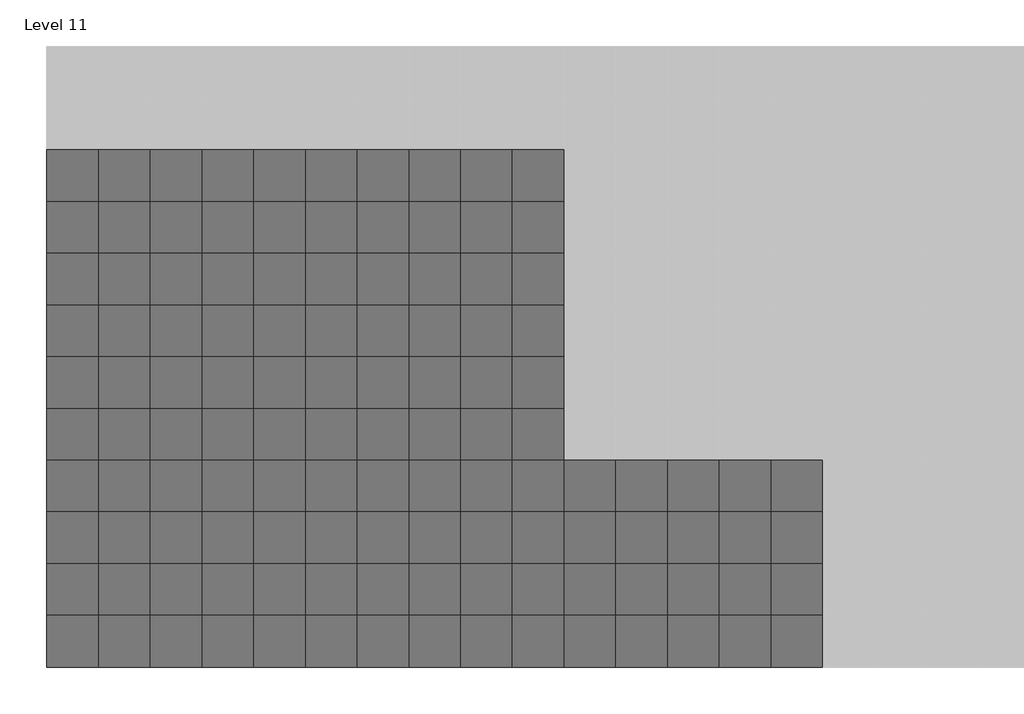
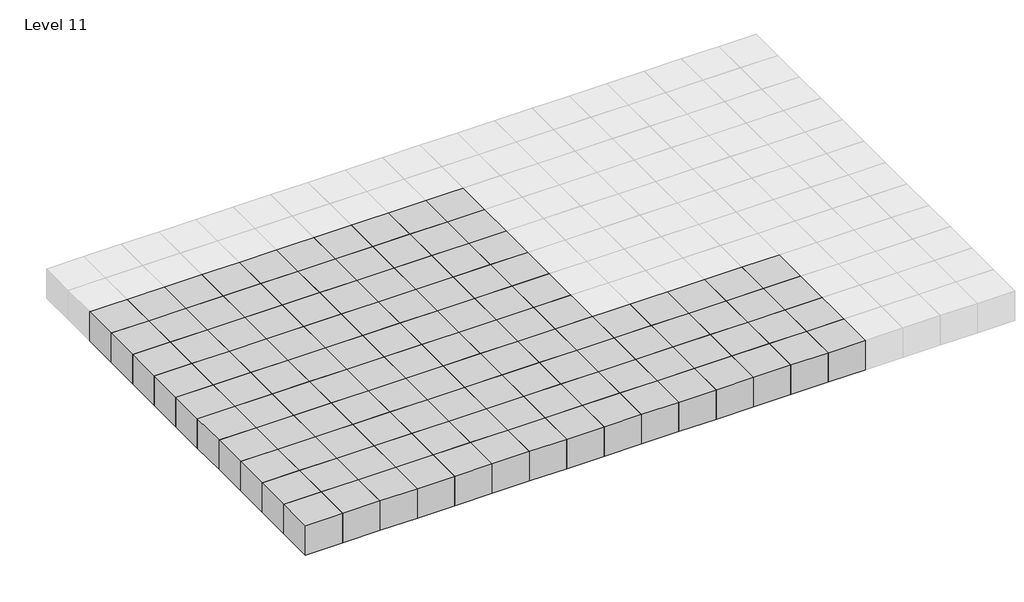
# One storey, part 1 of 3: 120 proxies.
"""IFC4 building model written with IfcOpenShell, lengths in millimetres."""

import ifcopenshell
import ifcopenshell.guid

model = None  # the IFC model being written
_history = None  # IfcOwnerHistory: only IFC2X3 demands one
_inside = {}  # id of a spatial element -> (the spatial element, [elements in it])
_under = {}  # id of a project, library or spatial element -> (it, [spatial elements below it])
_declared = {}  # id of a project -> (the project, [libraries it declares])
_typed = {}  # id of a type object -> (the type object, [elements of that type])
_made_of = {}  # id of a material, layer set ... -> (it, [elements and type objects made of it])


def new_model(schema):
    """Start an empty IFC model of exactly this schema.

    Asked for "IFC4X3", IfcOpenShell would pick the latest addendum, in which some entities
    have other attributes; the version numbers below select the first issue.
    IFC2X3 requires an IfcOwnerHistory on every rooted entity: one is made here for all.
    """
    global model, _history
    if schema == "IFC4X3":
        model = ifcopenshell.file(schema_version=(4, 3, 0, 0))
    else:
        model = ifcopenshell.file(schema=schema)
    _inside.clear()
    _under.clear()
    _declared.clear()
    _typed.clear()
    _made_of.clear()
    _history = None
    if model.schema == "IFC2X3":
        org = make("IfcOrganization", Name="unknown")
        user = make(
            "IfcPersonAndOrganization",
            ThePerson=make("IfcPerson", FamilyName="unknown"),
            TheOrganization=org,
        )
        app = make(
            "IfcApplication",
            ApplicationDeveloper=org,
            Version="unknown",
            ApplicationFullName="unknown",
            ApplicationIdentifier="unknown",
        )
        _history = make(
            "IfcOwnerHistory",
            OwningUser=user,
            OwningApplication=app,
            ChangeAction="ADDED",
            CreationDate=0,
        )
    return model


def make(cls, **values):
    """One entity of the class cls with the attributes given. An attribute that is None is left unset."""
    return model.create_entity(
        cls, **{name: value for name, value in values.items() if value is not None}
    )


def rooted(cls, **values):
    """An entity with a GlobalId (a new one), such as an element, a storey or a relation."""
    return make(cls, GlobalId=ifcopenshell.guid.new(), OwnerHistory=_history, **values)


def si_unit(unit_type, name, prefix=None):
    """IfcSIUnit, for example si_unit("LENGTHUNIT", "METRE", prefix="MILLI")."""
    return make("IfcSIUnit", UnitType=unit_type, Prefix=prefix, Name=name)


def assignment(units):
    """IfcUnitAssignment: the units of a project."""
    return None if units is None else make("IfcUnitAssignment", Units=units)


def point(xyz):
    """IfcCartesianPoint."""
    return None if xyz is None else make("IfcCartesianPoint", Coordinates=xyz)


def direction(xyz):
    """IfcDirection."""
    return None if xyz is None else make("IfcDirection", DirectionRatios=xyz)


def frame(location, z_axis=None, x_axis=None):
    """IfcAxis2Placement3D, a coordinate frame: its origin and axes. An axis left out is left unset."""
    return make(
        "IfcAxis2Placement3D",
        Location=point(location),
        Axis=direction(z_axis),
        RefDirection=direction(x_axis),
    )


def origin():
    """The frame at (0, 0, 0) with its axes left unset."""
    return frame((0.0, 0.0, 0.0))


def origin_with_axes():
    """The frame at (0, 0, 0) with the z axis (0, 0, 1) and the x axis (1, 0, 0) written out."""
    return frame((0.0, 0.0, 0.0), z_axis=(0.0, 0.0, 1.0), x_axis=(1.0, 0.0, 0.0))


def place(relative_to, where):
    """IfcLocalPlacement: puts the frame where relative to a parent placement (None: the world)."""
    return make(
        "IfcLocalPlacement", PlacementRelTo=relative_to, RelativePlacement=where
    )


def context(
    kind, dimensions, precision=None, world=None, true_north=None, identifier=None
):
    """IfcGeometricRepresentationContext, for example the 3D "Model" context."""
    return make(
        "IfcGeometricRepresentationContext",
        ContextIdentifier=identifier,
        ContextType=kind,
        CoordinateSpaceDimension=dimensions,
        Precision=precision,
        WorldCoordinateSystem=world,
        TrueNorth=true_north,
    )


def project(units=None, contexts=None):
    """IfcProject with its units and contexts."""
    return rooted(
        "IfcProject",
        Name="project",
        RepresentationContexts=contexts,
        UnitsInContext=assignment(units),
    )


def spatial(cls, under=None, at=None, **own):
    """A site, building, storey or space (cls), placed at a placement, below another one or the project."""
    s = rooted(cls, ObjectPlacement=at, **own)
    if under is not None:
        _under.setdefault(under.id(), (under, []))[1].append(s)
    return s


def polyline(points):
    """IfcPolyline through the points."""
    return make("IfcPolyline", Points=[point(p) for p in points])


def outline(outer, holes=None, kind="AREA"):
    """IfcArbitraryClosedProfileDef: a profile drawn as a closed curve; with holes, ...WithVoids."""
    if holes is None:
        return make("IfcArbitraryClosedProfileDef", ProfileType=kind, OuterCurve=outer)
    return make(
        "IfcArbitraryProfileDefWithVoids",
        ProfileType=kind,
        OuterCurve=outer,
        InnerCurves=holes,
    )


def extrude(swept, where, along, depth):
    """IfcExtrudedAreaSolid: the profile swept, set in the frame where, extruded along a direction by depth."""
    return make(
        "IfcExtrudedAreaSolid",
        SweptArea=swept,
        Position=where,
        ExtrudedDirection=direction(along),
        Depth=depth,
    )


def shape(context_of_items, identifier, shape_type, items):
    """IfcShapeRepresentation: the items that make up one representation, for example the "Body"."""
    return make(
        "IfcShapeRepresentation",
        ContextOfItems=context_of_items,
        RepresentationIdentifier=identifier,
        RepresentationType=shape_type,
        Items=items,
    )


def source(mapping_origin, context_of_items, identifier, shape_type, items):
    """IfcRepresentationMap: a shape defined once, which mapped items show again and again."""
    return make(
        "IfcRepresentationMap",
        MappingOrigin=mapping_origin,
        MappedRepresentation=shape(context_of_items, identifier, shape_type, items),
    )


def transform(
    local_origin,
    x_axis=None,
    y_axis=None,
    z_axis=None,
    scale=None,
    scale2=None,
    scale3=None,
    uniform=True,
):
    """IfcCartesianTransformationOperator3D, or its non-uniform kind. x_axis, y_axis, z_axis: its Axis1, 2, 3."""
    if uniform:
        return make(
            "IfcCartesianTransformationOperator3D",
            Axis1=direction(x_axis),
            Axis2=direction(y_axis),
            LocalOrigin=point(local_origin),
            Scale=scale,
            Axis3=direction(z_axis),
        )
    return make(
        "IfcCartesianTransformationOperator3DnonUniform",
        Axis1=direction(x_axis),
        Axis2=direction(y_axis),
        LocalOrigin=point(local_origin),
        Scale=scale,
        Axis3=direction(z_axis),
        Scale2=scale2,
        Scale3=scale3,
    )


def mapped(mapping_source, mapping_target):
    """IfcMappedItem: shows the shape of a source again, moved by a transform."""
    return make(
        "IfcMappedItem", MappingSource=mapping_source, MappingTarget=mapping_target
    )


def made_of(thing, what):
    """Note that an element or type object is made of a material, layer set ...; save() writes the relation."""
    if what is not None:
        _made_of.setdefault(what.id(), (what, []))[1].append(thing)
    return thing


def element(
    cls,
    number,
    at=None,
    inside=None,
    cuts=None,
    type_object=None,
    material=None,
    context=None,
    identifier="Body",
    shape_type=None,
    held_by="IfcProductDefinitionShape",
    body=None,
    shapes=None,
    **own,
):
    """One element of the class cls, such as IfcWall. Its Tag is "e" and its number.

    at: its placement. inside: the storey or other place that contains it. cuts: it is an
    opening in that element (IfcRelVoidsElement). A single representation is given by context,
    identifier, shape_type and body (its items); several are given by shapes. held_by: the class
    of the entity that holds the representations. save() writes the other relations.
    """
    e = rooted(cls, Tag="e%d" % number, ObjectPlacement=at, **own)
    if body is not None:
        shapes = [shape(context, identifier, shape_type, body)]
    if shapes is not None:
        e.Representation = make(held_by, Representations=shapes)
    if inside is not None:
        _inside.setdefault(inside.id(), (inside, []))[1].append(e)
    if cuts is not None:
        rooted(
            "IfcRelVoidsElement", RelatingBuildingElement=cuts, RelatedOpeningElement=e
        )
    if type_object is not None:
        _typed.setdefault(type_object.id(), (type_object, []))[1].append(e)
    return made_of(e, material)


def aggregate(whole, parts):
    """IfcRelAggregates: a whole, such as a stair, and the parts it consists of."""
    return rooted("IfcRelAggregates", RelatingObject=whole, RelatedObjects=parts)


def save(model, path):
    """Write the relations noted so far, then the file.

    IfcRelAggregates (storeys below a building ...), IfcRelContainedInSpatialStructure (elements
    in a storey), IfcRelDefinesByType, IfcRelAssociatesMaterial and IfcRelDeclares: one each for
    every whole, place, type object, material and project.
    """
    for whole, parts in _under.values():
        aggregate(whole, parts)
    for where, things in _inside.values():
        rooted(
            "IfcRelContainedInSpatialStructure",
            RelatedElements=things,
            RelatingStructure=where,
        )
    for kind, things in _typed.values():
        rooted("IfcRelDefinesByType", RelatedObjects=things, RelatingType=kind)
    for what, things in _made_of.values():
        rooted("IfcRelAssociatesMaterial", RelatedObjects=things, RelatingMaterial=what)
    for by, libraries in _declared.values():
        rooted("IfcRelDeclares", RelatingContext=by, RelatedDefinitions=libraries)
    model.write(path)


def family1_family1_3ff121e7(model_context):
    return source(origin(), model_context, "Body", "SweptSolid", [
        extrude(outline(polyline([(1500.0, 1500.0), (1500.0, -1500.0), (-1500.0, -1500.0), (-1500.0, 1500.0), (1500.0, 1500.0)])), origin_with_axes(), (0.0, 0.0, 1.0), 2500.0),
    ])


model = new_model("IFC4")

# Units and contexts
model_context = context("Model", 3, world=origin())
ifc_project = project(units=[si_unit("LENGTHUNIT", "METRE", prefix="MILLI")], contexts=[model_context])

# Site, building, storey
site = spatial("IfcSite", under=ifc_project)
building = spatial("IfcBuilding", under=site)
storey = spatial("IfcBuildingStorey", under=building, Name="Level 11", Elevation=25000.0)

# Proxies
placement = place(None, origin())
family1_family1_shape = family1_family1_3ff121e7(model_context)
element("IfcBuildingElementProxy", 1, Name="Family1 : Family1", ObjectType="Family1 : Family1", at=placement, inside=storey, context=model_context, shape_type="MappedRepresentation", body=[
    mapped(family1_family1_shape, transform((-43769.1764279, 4214.6480914, 25000.0), x_axis=(1.0, 0.0, 0.0), y_axis=(0.0, 1.0, 0.0), z_axis=(0.0, 0.0, 1.0))),
])
element("IfcBuildingElementProxy", 2, Name="Family1 : Family1", ObjectType="Family1 : Family1", at=placement, inside=storey, context=model_context, shape_type="MappedRepresentation", body=[
    mapped(family1_family1_shape, transform((-40769.1764279, 4214.6480914, 25000.0), x_axis=(1.0, 0.0, 0.0), y_axis=(0.0, 1.0, 0.0), z_axis=(0.0, 0.0, 1.0))),
])
element("IfcBuildingElementProxy", 3, Name="Family1 : Family1", ObjectType="Family1 : Family1", at=placement, inside=storey, context=model_context, shape_type="MappedRepresentation", body=[
    mapped(family1_family1_shape, transform((-37769.1764279, 4214.6480914, 25000.0), x_axis=(1.0, 0.0, 0.0), y_axis=(0.0, 1.0, 0.0), z_axis=(0.0, 0.0, 1.0))),
])
element("IfcBuildingElementProxy", 4, Name="Family1 : Family1", ObjectType="Family1 : Family1", at=placement, inside=storey, context=model_context, shape_type="MappedRepresentation", body=[
    mapped(family1_family1_shape, transform((-34769.1764279, 4214.6480914, 25000.0), x_axis=(1.0, 0.0, 0.0), y_axis=(0.0, 1.0, 0.0), z_axis=(0.0, 0.0, 1.0))),
])
element("IfcBuildingElementProxy", 5, Name="Family1 : Family1", ObjectType="Family1 : Family1", at=placement, inside=storey, context=model_context, shape_type="MappedRepresentation", body=[
    mapped(family1_family1_shape, transform((-31769.1764279, 4214.6480914, 25000.0), x_axis=(1.0, 0.0, 0.0), y_axis=(0.0, 1.0, 0.0), z_axis=(0.0, 0.0, 1.0))),
])
element("IfcBuildingElementProxy", 6, Name="Family1 : Family1", ObjectType="Family1 : Family1", at=placement, inside=storey, context=model_context, shape_type="MappedRepresentation", body=[
    mapped(family1_family1_shape, transform((-28769.1764279, 4214.6480914, 25000.0), x_axis=(1.0, 0.0, 0.0), y_axis=(0.0, 1.0, 0.0), z_axis=(0.0, 0.0, 1.0))),
])
element("IfcBuildingElementProxy", 7, Name="Family1 : Family1", ObjectType="Family1 : Family1", at=placement, inside=storey, context=model_context, shape_type="MappedRepresentation", body=[
    mapped(family1_family1_shape, transform((-25769.1764279, 4214.6480914, 25000.0), x_axis=(1.0, 0.0, 0.0), y_axis=(0.0, 1.0, 0.0), z_axis=(0.0, 0.0, 1.0))),
])
element("IfcBuildingElementProxy", 8, Name="Family1 : Family1", ObjectType="Family1 : Family1", at=placement, inside=storey, context=model_context, shape_type="MappedRepresentation", body=[
    mapped(family1_family1_shape, transform((-22769.1764279, 4214.6480914, 25000.0), x_axis=(1.0, 0.0, 0.0), y_axis=(0.0, 1.0, 0.0), z_axis=(0.0, 0.0, 1.0))),
])
element("IfcBuildingElementProxy", 9, Name="Family1 : Family1", ObjectType="Family1 : Family1", at=placement, inside=storey, context=model_context, shape_type="MappedRepresentation", body=[
    mapped(family1_family1_shape, transform((-19769.1764279, 4214.6480914, 25000.0), x_axis=(1.0, 0.0, 0.0), y_axis=(0.0, 1.0, 0.0), z_axis=(0.0, 0.0, 1.0))),
])
element("IfcBuildingElementProxy", 10, Name="Family1 : Family1", ObjectType="Family1 : Family1", at=placement, inside=storey, context=model_context, shape_type="MappedRepresentation", body=[
    mapped(family1_family1_shape, transform((-16769.1764279, 4214.6480914, 25000.0), x_axis=(1.0, 0.0, 0.0), y_axis=(0.0, 1.0, 0.0), z_axis=(0.0, 0.0, 1.0))),
])
element("IfcBuildingElementProxy", 11, Name="Family1 : Family1", ObjectType="Family1 : Family1", at=placement, inside=storey, context=model_context, shape_type="MappedRepresentation", body=[
    mapped(family1_family1_shape, transform((-13769.1764279, 4214.6480914, 25000.0), x_axis=(1.0, 0.0, 0.0), y_axis=(0.0, 1.0, 0.0), z_axis=(0.0, 0.0, 1.0))),
])
element("IfcBuildingElementProxy", 12, Name="Family1 : Family1", ObjectType="Family1 : Family1", at=placement, inside=storey, context=model_context, shape_type="MappedRepresentation", body=[
    mapped(family1_family1_shape, transform((-10769.1764279, 4214.6480914, 25000.0), x_axis=(1.0, 0.0, 0.0), y_axis=(0.0, 1.0, 0.0), z_axis=(0.0, 0.0, 1.0))),
])
element("IfcBuildingElementProxy", 13, Name="Family1 : Family1", ObjectType="Family1 : Family1", at=placement, inside=storey, context=model_context, shape_type="MappedRepresentation", body=[
    mapped(family1_family1_shape, transform((-7769.1764279, 4214.6480914, 25000.0), x_axis=(1.0, 0.0, 0.0), y_axis=(0.0, 1.0, 0.0), z_axis=(0.0, 0.0, 1.0))),
])
element("IfcBuildingElementProxy", 14, Name="Family1 : Family1", ObjectType="Family1 : Family1", at=placement, inside=storey, context=model_context, shape_type="MappedRepresentation", body=[
    mapped(family1_family1_shape, transform((-4769.1764279, 4214.6480914, 25000.0), x_axis=(1.0, 0.0, 0.0), y_axis=(0.0, 1.0, 0.0), z_axis=(0.0, 0.0, 1.0))),
])
element("IfcBuildingElementProxy", 15, Name="Family1 : Family1", ObjectType="Family1 : Family1", at=placement, inside=storey, context=model_context, shape_type="MappedRepresentation", body=[
    mapped(family1_family1_shape, transform((-1769.1764279, 4214.6480914, 25000.0), x_axis=(1.0, 0.0, 0.0), y_axis=(0.0, 1.0, 0.0), z_axis=(0.0, 0.0, 1.0))),
])
element("IfcBuildingElementProxy", 16, Name="Family1 : Family1", ObjectType="Family1 : Family1", at=placement, inside=storey, context=model_context, shape_type="MappedRepresentation", body=[
    mapped(family1_family1_shape, transform((-43769.1764279, 7214.6480914, 25000.0), x_axis=(1.0, 0.0, 0.0), y_axis=(0.0, 1.0, 0.0), z_axis=(0.0, 0.0, 1.0))),
])
element("IfcBuildingElementProxy", 17, Name="Family1 : Family1", ObjectType="Family1 : Family1", at=placement, inside=storey, context=model_context, shape_type="MappedRepresentation", body=[
    mapped(family1_family1_shape, transform((-40769.1764279, 7214.6480914, 25000.0), x_axis=(1.0, 0.0, 0.0), y_axis=(0.0, 1.0, 0.0), z_axis=(0.0, 0.0, 1.0))),
])
element("IfcBuildingElementProxy", 18, Name="Family1 : Family1", ObjectType="Family1 : Family1", at=placement, inside=storey, context=model_context, shape_type="MappedRepresentation", body=[
    mapped(family1_family1_shape, transform((-37769.1764279, 7214.6480914, 25000.0), x_axis=(1.0, 0.0, 0.0), y_axis=(0.0, 1.0, 0.0), z_axis=(0.0, 0.0, 1.0))),
])
element("IfcBuildingElementProxy", 19, Name="Family1 : Family1", ObjectType="Family1 : Family1", at=placement, inside=storey, context=model_context, shape_type="MappedRepresentation", body=[
    mapped(family1_family1_shape, transform((-34769.1764279, 7214.6480914, 25000.0), x_axis=(1.0, 0.0, 0.0), y_axis=(0.0, 1.0, 0.0), z_axis=(0.0, 0.0, 1.0))),
])
element("IfcBuildingElementProxy", 20, Name="Family1 : Family1", ObjectType="Family1 : Family1", at=placement, inside=storey, context=model_context, shape_type="MappedRepresentation", body=[
    mapped(family1_family1_shape, transform((-31769.1764279, 7214.6480914, 25000.0), x_axis=(1.0, 0.0, 0.0), y_axis=(0.0, 1.0, 0.0), z_axis=(0.0, 0.0, 1.0))),
])
element("IfcBuildingElementProxy", 21, Name="Family1 : Family1", ObjectType="Family1 : Family1", at=placement, inside=storey, context=model_context, shape_type="MappedRepresentation", body=[
    mapped(family1_family1_shape, transform((-28769.1764279, 7214.6480914, 25000.0), x_axis=(1.0, 0.0, 0.0), y_axis=(0.0, 1.0, 0.0), z_axis=(0.0, 0.0, 1.0))),
])
element("IfcBuildingElementProxy", 22, Name="Family1 : Family1", ObjectType="Family1 : Family1", at=placement, inside=storey, context=model_context, shape_type="MappedRepresentation", body=[
    mapped(family1_family1_shape, transform((-25769.1764279, 7214.6480914, 25000.0), x_axis=(1.0, 0.0, 0.0), y_axis=(0.0, 1.0, 0.0), z_axis=(0.0, 0.0, 1.0))),
])
element("IfcBuildingElementProxy", 23, Name="Family1 : Family1", ObjectType="Family1 : Family1", at=placement, inside=storey, context=model_context, shape_type="MappedRepresentation", body=[
    mapped(family1_family1_shape, transform((-22769.1764279, 7214.6480914, 25000.0), x_axis=(1.0, 0.0, 0.0), y_axis=(0.0, 1.0, 0.0), z_axis=(0.0, 0.0, 1.0))),
])
element("IfcBuildingElementProxy", 24, Name="Family1 : Family1", ObjectType="Family1 : Family1", at=placement, inside=storey, context=model_context, shape_type="MappedRepresentation", body=[
    mapped(family1_family1_shape, transform((-19769.1764279, 7214.6480914, 25000.0), x_axis=(1.0, 0.0, 0.0), y_axis=(0.0, 1.0, 0.0), z_axis=(0.0, 0.0, 1.0))),
])
element("IfcBuildingElementProxy", 25, Name="Family1 : Family1", ObjectType="Family1 : Family1", at=placement, inside=storey, context=model_context, shape_type="MappedRepresentation", body=[
    mapped(family1_family1_shape, transform((-16769.1764279, 7214.6480914, 25000.0), x_axis=(1.0, 0.0, 0.0), y_axis=(0.0, 1.0, 0.0), z_axis=(0.0, 0.0, 1.0))),
])
element("IfcBuildingElementProxy", 26, Name="Family1 : Family1", ObjectType="Family1 : Family1", at=placement, inside=storey, context=model_context, shape_type="MappedRepresentation", body=[
    mapped(family1_family1_shape, transform((-13769.1764279, 7214.6480914, 25000.0), x_axis=(1.0, 0.0, 0.0), y_axis=(0.0, 1.0, 0.0), z_axis=(0.0, 0.0, 1.0))),
])
element("IfcBuildingElementProxy", 27, Name="Family1 : Family1", ObjectType="Family1 : Family1", at=placement, inside=storey, context=model_context, shape_type="MappedRepresentation", body=[
    mapped(family1_family1_shape, transform((-10769.1764279, 7214.6480914, 25000.0), x_axis=(1.0, 0.0, 0.0), y_axis=(0.0, 1.0, 0.0), z_axis=(0.0, 0.0, 1.0))),
])
element("IfcBuildingElementProxy", 28, Name="Family1 : Family1", ObjectType="Family1 : Family1", at=placement, inside=storey, context=model_context, shape_type="MappedRepresentation", body=[
    mapped(family1_family1_shape, transform((-7769.1764279, 7214.6480914, 25000.0), x_axis=(1.0, 0.0, 0.0), y_axis=(0.0, 1.0, 0.0), z_axis=(0.0, 0.0, 1.0))),
])
element("IfcBuildingElementProxy", 29, Name="Family1 : Family1", ObjectType="Family1 : Family1", at=placement, inside=storey, context=model_context, shape_type="MappedRepresentation", body=[
    mapped(family1_family1_shape, transform((-4769.1764279, 7214.6480914, 25000.0), x_axis=(1.0, 0.0, 0.0), y_axis=(0.0, 1.0, 0.0), z_axis=(0.0, 0.0, 1.0))),
])
element("IfcBuildingElementProxy", 30, Name="Family1 : Family1", ObjectType="Family1 : Family1", at=placement, inside=storey, context=model_context, shape_type="MappedRepresentation", body=[
    mapped(family1_family1_shape, transform((-1769.1764279, 7214.6480914, 25000.0), x_axis=(1.0, 0.0, 0.0), y_axis=(0.0, 1.0, 0.0), z_axis=(0.0, 0.0, 1.0))),
])
element("IfcBuildingElementProxy", 31, Name="Family1 : Family1", ObjectType="Family1 : Family1", at=placement, inside=storey, context=model_context, shape_type="MappedRepresentation", body=[
    mapped(family1_family1_shape, transform((-43769.1764279, 10214.6480914, 25000.0), x_axis=(1.0, 0.0, 0.0), y_axis=(0.0, 1.0, 0.0), z_axis=(0.0, 0.0, 1.0))),
])
element("IfcBuildingElementProxy", 32, Name="Family1 : Family1", ObjectType="Family1 : Family1", at=placement, inside=storey, context=model_context, shape_type="MappedRepresentation", body=[
    mapped(family1_family1_shape, transform((-40769.1764279, 10214.6480914, 25000.0), x_axis=(1.0, 0.0, 0.0), y_axis=(0.0, 1.0, 0.0), z_axis=(0.0, 0.0, 1.0))),
])
element("IfcBuildingElementProxy", 33, Name="Family1 : Family1", ObjectType="Family1 : Family1", at=placement, inside=storey, context=model_context, shape_type="MappedRepresentation", body=[
    mapped(family1_family1_shape, transform((-37769.1764279, 10214.6480914, 25000.0), x_axis=(1.0, 0.0, 0.0), y_axis=(0.0, 1.0, 0.0), z_axis=(0.0, 0.0, 1.0))),
])
element("IfcBuildingElementProxy", 34, Name="Family1 : Family1", ObjectType="Family1 : Family1", at=placement, inside=storey, context=model_context, shape_type="MappedRepresentation", body=[
    mapped(family1_family1_shape, transform((-34769.1764279, 10214.6480914, 25000.0), x_axis=(1.0, 0.0, 0.0), y_axis=(0.0, 1.0, 0.0), z_axis=(0.0, 0.0, 1.0))),
])
element("IfcBuildingElementProxy", 35, Name="Family1 : Family1", ObjectType="Family1 : Family1", at=placement, inside=storey, context=model_context, shape_type="MappedRepresentation", body=[
    mapped(family1_family1_shape, transform((-31769.1764279, 10214.6480914, 25000.0), x_axis=(1.0, 0.0, 0.0), y_axis=(0.0, 1.0, 0.0), z_axis=(0.0, 0.0, 1.0))),
])
element("IfcBuildingElementProxy", 36, Name="Family1 : Family1", ObjectType="Family1 : Family1", at=placement, inside=storey, context=model_context, shape_type="MappedRepresentation", body=[
    mapped(family1_family1_shape, transform((-28769.1764279, 10214.6480914, 25000.0), x_axis=(1.0, 0.0, 0.0), y_axis=(0.0, 1.0, 0.0), z_axis=(0.0, 0.0, 1.0))),
])
element("IfcBuildingElementProxy", 37, Name="Family1 : Family1", ObjectType="Family1 : Family1", at=placement, inside=storey, context=model_context, shape_type="MappedRepresentation", body=[
    mapped(family1_family1_shape, transform((-25769.1764279, 10214.6480914, 25000.0), x_axis=(1.0, 0.0, 0.0), y_axis=(0.0, 1.0, 0.0), z_axis=(0.0, 0.0, 1.0))),
])
element("IfcBuildingElementProxy", 38, Name="Family1 : Family1", ObjectType="Family1 : Family1", at=placement, inside=storey, context=model_context, shape_type="MappedRepresentation", body=[
    mapped(family1_family1_shape, transform((-22769.1764279, 10214.6480914, 25000.0), x_axis=(1.0, 0.0, 0.0), y_axis=(0.0, 1.0, 0.0), z_axis=(0.0, 0.0, 1.0))),
])
element("IfcBuildingElementProxy", 39, Name="Family1 : Family1", ObjectType="Family1 : Family1", at=placement, inside=storey, context=model_context, shape_type="MappedRepresentation", body=[
    mapped(family1_family1_shape, transform((-19769.1764279, 10214.6480914, 25000.0), x_axis=(1.0, 0.0, 0.0), y_axis=(0.0, 1.0, 0.0), z_axis=(0.0, 0.0, 1.0))),
])
element("IfcBuildingElementProxy", 40, Name="Family1 : Family1", ObjectType="Family1 : Family1", at=placement, inside=storey, context=model_context, shape_type="MappedRepresentation", body=[
    mapped(family1_family1_shape, transform((-16769.1764279, 10214.6480914, 25000.0), x_axis=(1.0, 0.0, 0.0), y_axis=(0.0, 1.0, 0.0), z_axis=(0.0, 0.0, 1.0))),
])
element("IfcBuildingElementProxy", 41, Name="Family1 : Family1", ObjectType="Family1 : Family1", at=placement, inside=storey, context=model_context, shape_type="MappedRepresentation", body=[
    mapped(family1_family1_shape, transform((-13769.1764279, 10214.6480914, 25000.0), x_axis=(1.0, 0.0, 0.0), y_axis=(0.0, 1.0, 0.0), z_axis=(0.0, 0.0, 1.0))),
])
element("IfcBuildingElementProxy", 42, Name="Family1 : Family1", ObjectType="Family1 : Family1", at=placement, inside=storey, context=model_context, shape_type="MappedRepresentation", body=[
    mapped(family1_family1_shape, transform((-10769.1764279, 10214.6480914, 25000.0), x_axis=(1.0, 0.0, 0.0), y_axis=(0.0, 1.0, 0.0), z_axis=(0.0, 0.0, 1.0))),
])
element("IfcBuildingElementProxy", 43, Name="Family1 : Family1", ObjectType="Family1 : Family1", at=placement, inside=storey, context=model_context, shape_type="MappedRepresentation", body=[
    mapped(family1_family1_shape, transform((-7769.1764279, 10214.6480914, 25000.0), x_axis=(1.0, 0.0, 0.0), y_axis=(0.0, 1.0, 0.0), z_axis=(0.0, 0.0, 1.0))),
])
element("IfcBuildingElementProxy", 44, Name="Family1 : Family1", ObjectType="Family1 : Family1", at=placement, inside=storey, context=model_context, shape_type="MappedRepresentation", body=[
    mapped(family1_family1_shape, transform((-4769.1764279, 10214.6480914, 25000.0), x_axis=(1.0, 0.0, 0.0), y_axis=(0.0, 1.0, 0.0), z_axis=(0.0, 0.0, 1.0))),
])
element("IfcBuildingElementProxy", 45, Name="Family1 : Family1", ObjectType="Family1 : Family1", at=placement, inside=storey, context=model_context, shape_type="MappedRepresentation", body=[
    mapped(family1_family1_shape, transform((-1769.1764279, 10214.6480914, 25000.0), x_axis=(1.0, 0.0, 0.0), y_axis=(0.0, 1.0, 0.0), z_axis=(0.0, 0.0, 1.0))),
])
element("IfcBuildingElementProxy", 46, Name="Family1 : Family1", ObjectType="Family1 : Family1", at=placement, inside=storey, context=model_context, shape_type="MappedRepresentation", body=[
    mapped(family1_family1_shape, transform((-43769.1764279, 13214.6480914, 25000.0), x_axis=(1.0, 0.0, 0.0), y_axis=(0.0, 1.0, 0.0), z_axis=(0.0, 0.0, 1.0))),
])
element("IfcBuildingElementProxy", 47, Name="Family1 : Family1", ObjectType="Family1 : Family1", at=placement, inside=storey, context=model_context, shape_type="MappedRepresentation", body=[
    mapped(family1_family1_shape, transform((-40769.1764279, 13214.6480914, 25000.0), x_axis=(1.0, 0.0, 0.0), y_axis=(0.0, 1.0, 0.0), z_axis=(0.0, 0.0, 1.0))),
])
element("IfcBuildingElementProxy", 48, Name="Family1 : Family1", ObjectType="Family1 : Family1", at=placement, inside=storey, context=model_context, shape_type="MappedRepresentation", body=[
    mapped(family1_family1_shape, transform((-37769.1764279, 13214.6480914, 25000.0), x_axis=(1.0, 0.0, 0.0), y_axis=(0.0, 1.0, 0.0), z_axis=(0.0, 0.0, 1.0))),
])
element("IfcBuildingElementProxy", 49, Name="Family1 : Family1", ObjectType="Family1 : Family1", at=placement, inside=storey, context=model_context, shape_type="MappedRepresentation", body=[
    mapped(family1_family1_shape, transform((-34769.1764279, 13214.6480914, 25000.0), x_axis=(1.0, 0.0, 0.0), y_axis=(0.0, 1.0, 0.0), z_axis=(0.0, 0.0, 1.0))),
])
element("IfcBuildingElementProxy", 50, Name="Family1 : Family1", ObjectType="Family1 : Family1", at=placement, inside=storey, context=model_context, shape_type="MappedRepresentation", body=[
    mapped(family1_family1_shape, transform((-31769.1764279, 13214.6480914, 25000.0), x_axis=(1.0, 0.0, 0.0), y_axis=(0.0, 1.0, 0.0), z_axis=(0.0, 0.0, 1.0))),
])
element("IfcBuildingElementProxy", 51, Name="Family1 : Family1", ObjectType="Family1 : Family1", at=placement, inside=storey, context=model_context, shape_type="MappedRepresentation", body=[
    mapped(family1_family1_shape, transform((-28769.1764279, 13214.6480914, 25000.0), x_axis=(1.0, 0.0, 0.0), y_axis=(0.0, 1.0, 0.0), z_axis=(0.0, 0.0, 1.0))),
])
element("IfcBuildingElementProxy", 52, Name="Family1 : Family1", ObjectType="Family1 : Family1", at=placement, inside=storey, context=model_context, shape_type="MappedRepresentation", body=[
    mapped(family1_family1_shape, transform((-25769.1764279, 13214.6480914, 25000.0), x_axis=(1.0, 0.0, 0.0), y_axis=(0.0, 1.0, 0.0), z_axis=(0.0, 0.0, 1.0))),
])
element("IfcBuildingElementProxy", 53, Name="Family1 : Family1", ObjectType="Family1 : Family1", at=placement, inside=storey, context=model_context, shape_type="MappedRepresentation", body=[
    mapped(family1_family1_shape, transform((-22769.1764279, 13214.6480914, 25000.0), x_axis=(1.0, 0.0, 0.0), y_axis=(0.0, 1.0, 0.0), z_axis=(0.0, 0.0, 1.0))),
])
element("IfcBuildingElementProxy", 54, Name="Family1 : Family1", ObjectType="Family1 : Family1", at=placement, inside=storey, context=model_context, shape_type="MappedRepresentation", body=[
    mapped(family1_family1_shape, transform((-19769.1764279, 13214.6480914, 25000.0), x_axis=(1.0, 0.0, 0.0), y_axis=(0.0, 1.0, 0.0), z_axis=(0.0, 0.0, 1.0))),
])
element("IfcBuildingElementProxy", 55, Name="Family1 : Family1", ObjectType="Family1 : Family1", at=placement, inside=storey, context=model_context, shape_type="MappedRepresentation", body=[
    mapped(family1_family1_shape, transform((-16769.1764279, 13214.6480914, 25000.0), x_axis=(1.0, 0.0, 0.0), y_axis=(0.0, 1.0, 0.0), z_axis=(0.0, 0.0, 1.0))),
])
element("IfcBuildingElementProxy", 56, Name="Family1 : Family1", ObjectType="Family1 : Family1", at=placement, inside=storey, context=model_context, shape_type="MappedRepresentation", body=[
    mapped(family1_family1_shape, transform((-13769.1764279, 13214.6480914, 25000.0), x_axis=(1.0, 0.0, 0.0), y_axis=(0.0, 1.0, 0.0), z_axis=(0.0, 0.0, 1.0))),
])
element("IfcBuildingElementProxy", 57, Name="Family1 : Family1", ObjectType="Family1 : Family1", at=placement, inside=storey, context=model_context, shape_type="MappedRepresentation", body=[
    mapped(family1_family1_shape, transform((-10769.1764279, 13214.6480914, 25000.0), x_axis=(1.0, 0.0, 0.0), y_axis=(0.0, 1.0, 0.0), z_axis=(0.0, 0.0, 1.0))),
])
element("IfcBuildingElementProxy", 58, Name="Family1 : Family1", ObjectType="Family1 : Family1", at=placement, inside=storey, context=model_context, shape_type="MappedRepresentation", body=[
    mapped(family1_family1_shape, transform((-7769.1764279, 13214.6480914, 25000.0), x_axis=(1.0, 0.0, 0.0), y_axis=(0.0, 1.0, 0.0), z_axis=(0.0, 0.0, 1.0))),
])
element("IfcBuildingElementProxy", 59, Name="Family1 : Family1", ObjectType="Family1 : Family1", at=placement, inside=storey, context=model_context, shape_type="MappedRepresentation", body=[
    mapped(family1_family1_shape, transform((-4769.1764279, 13214.6480914, 25000.0), x_axis=(1.0, 0.0, 0.0), y_axis=(0.0, 1.0, 0.0), z_axis=(0.0, 0.0, 1.0))),
])
element("IfcBuildingElementProxy", 60, Name="Family1 : Family1", ObjectType="Family1 : Family1", at=placement, inside=storey, context=model_context, shape_type="MappedRepresentation", body=[
    mapped(family1_family1_shape, transform((-1769.1764279, 13214.6480914, 25000.0), x_axis=(1.0, 0.0, 0.0), y_axis=(0.0, 1.0, 0.0), z_axis=(0.0, 0.0, 1.0))),
])
element("IfcBuildingElementProxy", 61, Name="Family1 : Family1", ObjectType="Family1 : Family1", at=placement, inside=storey, context=model_context, shape_type="MappedRepresentation", body=[
    mapped(family1_family1_shape, transform((-43769.1764279, 16214.6480914, 25000.0), x_axis=(1.0, 0.0, 0.0), y_axis=(0.0, 1.0, 0.0), z_axis=(0.0, 0.0, 1.0))),
])
element("IfcBuildingElementProxy", 62, Name="Family1 : Family1", ObjectType="Family1 : Family1", at=placement, inside=storey, context=model_context, shape_type="MappedRepresentation", body=[
    mapped(family1_family1_shape, transform((-40769.1764279, 16214.6480914, 25000.0), x_axis=(1.0, 0.0, 0.0), y_axis=(0.0, 1.0, 0.0), z_axis=(0.0, 0.0, 1.0))),
])
element("IfcBuildingElementProxy", 63, Name="Family1 : Family1", ObjectType="Family1 : Family1", at=placement, inside=storey, context=model_context, shape_type="MappedRepresentation", body=[
    mapped(family1_family1_shape, transform((-37769.1764279, 16214.6480914, 25000.0), x_axis=(1.0, 0.0, 0.0), y_axis=(0.0, 1.0, 0.0), z_axis=(0.0, 0.0, 1.0))),
])
element("IfcBuildingElementProxy", 64, Name="Family1 : Family1", ObjectType="Family1 : Family1", at=placement, inside=storey, context=model_context, shape_type="MappedRepresentation", body=[
    mapped(family1_family1_shape, transform((-34769.1764279, 16214.6480914, 25000.0), x_axis=(1.0, 0.0, 0.0), y_axis=(0.0, 1.0, 0.0), z_axis=(0.0, 0.0, 1.0))),
])
element("IfcBuildingElementProxy", 65, Name="Family1 : Family1", ObjectType="Family1 : Family1", at=placement, inside=storey, context=model_context, shape_type="MappedRepresentation", body=[
    mapped(family1_family1_shape, transform((-31769.1764279, 16214.6480914, 25000.0), x_axis=(1.0, 0.0, 0.0), y_axis=(0.0, 1.0, 0.0), z_axis=(0.0, 0.0, 1.0))),
])
element("IfcBuildingElementProxy", 66, Name="Family1 : Family1", ObjectType="Family1 : Family1", at=placement, inside=storey, context=model_context, shape_type="MappedRepresentation", body=[
    mapped(family1_family1_shape, transform((-28769.1764279, 16214.6480914, 25000.0), x_axis=(1.0, 0.0, 0.0), y_axis=(0.0, 1.0, 0.0), z_axis=(0.0, 0.0, 1.0))),
])
element("IfcBuildingElementProxy", 67, Name="Family1 : Family1", ObjectType="Family1 : Family1", at=placement, inside=storey, context=model_context, shape_type="MappedRepresentation", body=[
    mapped(family1_family1_shape, transform((-25769.1764279, 16214.6480914, 25000.0), x_axis=(1.0, 0.0, 0.0), y_axis=(0.0, 1.0, 0.0), z_axis=(0.0, 0.0, 1.0))),
])
element("IfcBuildingElementProxy", 68, Name="Family1 : Family1", ObjectType="Family1 : Family1", at=placement, inside=storey, context=model_context, shape_type="MappedRepresentation", body=[
    mapped(family1_family1_shape, transform((-22769.1764279, 16214.6480914, 25000.0), x_axis=(1.0, 0.0, 0.0), y_axis=(0.0, 1.0, 0.0), z_axis=(0.0, 0.0, 1.0))),
])
element("IfcBuildingElementProxy", 69, Name="Family1 : Family1", ObjectType="Family1 : Family1", at=placement, inside=storey, context=model_context, shape_type="MappedRepresentation", body=[
    mapped(family1_family1_shape, transform((-19769.1764279, 16214.6480914, 25000.0), x_axis=(1.0, 0.0, 0.0), y_axis=(0.0, 1.0, 0.0), z_axis=(0.0, 0.0, 1.0))),
])
element("IfcBuildingElementProxy", 70, Name="Family1 : Family1", ObjectType="Family1 : Family1", at=placement, inside=storey, context=model_context, shape_type="MappedRepresentation", body=[
    mapped(family1_family1_shape, transform((-16769.1764279, 16214.6480914, 25000.0), x_axis=(1.0, 0.0, 0.0), y_axis=(0.0, 1.0, 0.0), z_axis=(0.0, 0.0, 1.0))),
])
element("IfcBuildingElementProxy", 71, Name="Family1 : Family1", ObjectType="Family1 : Family1", at=placement, inside=storey, context=model_context, shape_type="MappedRepresentation", body=[
    mapped(family1_family1_shape, transform((-43769.1764279, 19214.6480914, 25000.0), x_axis=(1.0, 0.0, 0.0), y_axis=(0.0, 1.0, 0.0), z_axis=(0.0, 0.0, 1.0))),
])
element("IfcBuildingElementProxy", 72, Name="Family1 : Family1", ObjectType="Family1 : Family1", at=placement, inside=storey, context=model_context, shape_type="MappedRepresentation", body=[
    mapped(family1_family1_shape, transform((-40769.1764279, 19214.6480914, 25000.0), x_axis=(1.0, 0.0, 0.0), y_axis=(0.0, 1.0, 0.0), z_axis=(0.0, 0.0, 1.0))),
])
element("IfcBuildingElementProxy", 73, Name="Family1 : Family1", ObjectType="Family1 : Family1", at=placement, inside=storey, context=model_context, shape_type="MappedRepresentation", body=[
    mapped(family1_family1_shape, transform((-37769.1764279, 19214.6480914, 25000.0), x_axis=(1.0, 0.0, 0.0), y_axis=(0.0, 1.0, 0.0), z_axis=(0.0, 0.0, 1.0))),
])
element("IfcBuildingElementProxy", 74, Name="Family1 : Family1", ObjectType="Family1 : Family1", at=placement, inside=storey, context=model_context, shape_type="MappedRepresentation", body=[
    mapped(family1_family1_shape, transform((-34769.1764279, 19214.6480914, 25000.0), x_axis=(1.0, 0.0, 0.0), y_axis=(0.0, 1.0, 0.0), z_axis=(0.0, 0.0, 1.0))),
])
element("IfcBuildingElementProxy", 75, Name="Family1 : Family1", ObjectType="Family1 : Family1", at=placement, inside=storey, context=model_context, shape_type="MappedRepresentation", body=[
    mapped(family1_family1_shape, transform((-31769.1764279, 19214.6480914, 25000.0), x_axis=(1.0, 0.0, 0.0), y_axis=(0.0, 1.0, 0.0), z_axis=(0.0, 0.0, 1.0))),
])
element("IfcBuildingElementProxy", 76, Name="Family1 : Family1", ObjectType="Family1 : Family1", at=placement, inside=storey, context=model_context, shape_type="MappedRepresentation", body=[
    mapped(family1_family1_shape, transform((-28769.1764279, 19214.6480914, 25000.0), x_axis=(1.0, 0.0, 0.0), y_axis=(0.0, 1.0, 0.0), z_axis=(0.0, 0.0, 1.0))),
])
element("IfcBuildingElementProxy", 77, Name="Family1 : Family1", ObjectType="Family1 : Family1", at=placement, inside=storey, context=model_context, shape_type="MappedRepresentation", body=[
    mapped(family1_family1_shape, transform((-25769.1764279, 19214.6480914, 25000.0), x_axis=(1.0, 0.0, 0.0), y_axis=(0.0, 1.0, 0.0), z_axis=(0.0, 0.0, 1.0))),
])
element("IfcBuildingElementProxy", 78, Name="Family1 : Family1", ObjectType="Family1 : Family1", at=placement, inside=storey, context=model_context, shape_type="MappedRepresentation", body=[
    mapped(family1_family1_shape, transform((-22769.1764279, 19214.6480914, 25000.0), x_axis=(1.0, 0.0, 0.0), y_axis=(0.0, 1.0, 0.0), z_axis=(0.0, 0.0, 1.0))),
])
element("IfcBuildingElementProxy", 79, Name="Family1 : Family1", ObjectType="Family1 : Family1", at=placement, inside=storey, context=model_context, shape_type="MappedRepresentation", body=[
    mapped(family1_family1_shape, transform((-19769.1764279, 19214.6480914, 25000.0), x_axis=(1.0, 0.0, 0.0), y_axis=(0.0, 1.0, 0.0), z_axis=(0.0, 0.0, 1.0))),
])
element("IfcBuildingElementProxy", 80, Name="Family1 : Family1", ObjectType="Family1 : Family1", at=placement, inside=storey, context=model_context, shape_type="MappedRepresentation", body=[
    mapped(family1_family1_shape, transform((-16769.1764279, 19214.6480914, 25000.0), x_axis=(1.0, 0.0, 0.0), y_axis=(0.0, 1.0, 0.0), z_axis=(0.0, 0.0, 1.0))),
])
element("IfcBuildingElementProxy", 81, Name="Family1 : Family1", ObjectType="Family1 : Family1", at=placement, inside=storey, context=model_context, shape_type="MappedRepresentation", body=[
    mapped(family1_family1_shape, transform((-43769.1764279, 22214.6480914, 25000.0), x_axis=(1.0, 0.0, 0.0), y_axis=(0.0, 1.0, 0.0), z_axis=(0.0, 0.0, 1.0))),
])
element("IfcBuildingElementProxy", 82, Name="Family1 : Family1", ObjectType="Family1 : Family1", at=placement, inside=storey, context=model_context, shape_type="MappedRepresentation", body=[
    mapped(family1_family1_shape, transform((-40769.1764279, 22214.6480914, 25000.0), x_axis=(1.0, 0.0, 0.0), y_axis=(0.0, 1.0, 0.0), z_axis=(0.0, 0.0, 1.0))),
])
element("IfcBuildingElementProxy", 83, Name="Family1 : Family1", ObjectType="Family1 : Family1", at=placement, inside=storey, context=model_context, shape_type="MappedRepresentation", body=[
    mapped(family1_family1_shape, transform((-37769.1764279, 22214.6480914, 25000.0), x_axis=(1.0, 0.0, 0.0), y_axis=(0.0, 1.0, 0.0), z_axis=(0.0, 0.0, 1.0))),
])
element("IfcBuildingElementProxy", 84, Name="Family1 : Family1", ObjectType="Family1 : Family1", at=placement, inside=storey, context=model_context, shape_type="MappedRepresentation", body=[
    mapped(family1_family1_shape, transform((-34769.1764279, 22214.6480914, 25000.0), x_axis=(1.0, 0.0, 0.0), y_axis=(0.0, 1.0, 0.0), z_axis=(0.0, 0.0, 1.0))),
])
element("IfcBuildingElementProxy", 85, Name="Family1 : Family1", ObjectType="Family1 : Family1", at=placement, inside=storey, context=model_context, shape_type="MappedRepresentation", body=[
    mapped(family1_family1_shape, transform((-31769.1764279, 22214.6480914, 25000.0), x_axis=(1.0, 0.0, 0.0), y_axis=(0.0, 1.0, 0.0), z_axis=(0.0, 0.0, 1.0))),
])
element("IfcBuildingElementProxy", 86, Name="Family1 : Family1", ObjectType="Family1 : Family1", at=placement, inside=storey, context=model_context, shape_type="MappedRepresentation", body=[
    mapped(family1_family1_shape, transform((-28769.1764279, 22214.6480914, 25000.0), x_axis=(1.0, 0.0, 0.0), y_axis=(0.0, 1.0, 0.0), z_axis=(0.0, 0.0, 1.0))),
])
element("IfcBuildingElementProxy", 87, Name="Family1 : Family1", ObjectType="Family1 : Family1", at=placement, inside=storey, context=model_context, shape_type="MappedRepresentation", body=[
    mapped(family1_family1_shape, transform((-25769.1764279, 22214.6480914, 25000.0), x_axis=(1.0, 0.0, 0.0), y_axis=(0.0, 1.0, 0.0), z_axis=(0.0, 0.0, 1.0))),
])
element("IfcBuildingElementProxy", 88, Name="Family1 : Family1", ObjectType="Family1 : Family1", at=placement, inside=storey, context=model_context, shape_type="MappedRepresentation", body=[
    mapped(family1_family1_shape, transform((-22769.1764279, 22214.6480914, 25000.0), x_axis=(1.0, 0.0, 0.0), y_axis=(0.0, 1.0, 0.0), z_axis=(0.0, 0.0, 1.0))),
])
element("IfcBuildingElementProxy", 89, Name="Family1 : Family1", ObjectType="Family1 : Family1", at=placement, inside=storey, context=model_context, shape_type="MappedRepresentation", body=[
    mapped(family1_family1_shape, transform((-19769.1764279, 22214.6480914, 25000.0), x_axis=(1.0, 0.0, 0.0), y_axis=(0.0, 1.0, 0.0), z_axis=(0.0, 0.0, 1.0))),
])
element("IfcBuildingElementProxy", 90, Name="Family1 : Family1", ObjectType="Family1 : Family1", at=placement, inside=storey, context=model_context, shape_type="MappedRepresentation", body=[
    mapped(family1_family1_shape, transform((-16769.1764279, 22214.6480914, 25000.0), x_axis=(1.0, 0.0, 0.0), y_axis=(0.0, 1.0, 0.0), z_axis=(0.0, 0.0, 1.0))),
])
element("IfcBuildingElementProxy", 91, Name="Family1 : Family1", ObjectType="Family1 : Family1", at=placement, inside=storey, context=model_context, shape_type="MappedRepresentation", body=[
    mapped(family1_family1_shape, transform((-43769.1764279, 25214.6480914, 25000.0), x_axis=(1.0, 0.0, 0.0), y_axis=(0.0, 1.0, 0.0), z_axis=(0.0, 0.0, 1.0))),
])
element("IfcBuildingElementProxy", 92, Name="Family1 : Family1", ObjectType="Family1 : Family1", at=placement, inside=storey, context=model_context, shape_type="MappedRepresentation", body=[
    mapped(family1_family1_shape, transform((-40769.1764279, 25214.6480914, 25000.0), x_axis=(1.0, 0.0, 0.0), y_axis=(0.0, 1.0, 0.0), z_axis=(0.0, 0.0, 1.0))),
])
element("IfcBuildingElementProxy", 93, Name="Family1 : Family1", ObjectType="Family1 : Family1", at=placement, inside=storey, context=model_context, shape_type="MappedRepresentation", body=[
    mapped(family1_family1_shape, transform((-37769.1764279, 25214.6480914, 25000.0), x_axis=(1.0, 0.0, 0.0), y_axis=(0.0, 1.0, 0.0), z_axis=(0.0, 0.0, 1.0))),
])
element("IfcBuildingElementProxy", 94, Name="Family1 : Family1", ObjectType="Family1 : Family1", at=placement, inside=storey, context=model_context, shape_type="MappedRepresentation", body=[
    mapped(family1_family1_shape, transform((-34769.1764279, 25214.6480914, 25000.0), x_axis=(1.0, 0.0, 0.0), y_axis=(0.0, 1.0, 0.0), z_axis=(0.0, 0.0, 1.0))),
])
element("IfcBuildingElementProxy", 95, Name="Family1 : Family1", ObjectType="Family1 : Family1", at=placement, inside=storey, context=model_context, shape_type="MappedRepresentation", body=[
    mapped(family1_family1_shape, transform((-31769.1764279, 25214.6480914, 25000.0), x_axis=(1.0, 0.0, 0.0), y_axis=(0.0, 1.0, 0.0), z_axis=(0.0, 0.0, 1.0))),
])
element("IfcBuildingElementProxy", 96, Name="Family1 : Family1", ObjectType="Family1 : Family1", at=placement, inside=storey, context=model_context, shape_type="MappedRepresentation", body=[
    mapped(family1_family1_shape, transform((-28769.1764279, 25214.6480914, 25000.0), x_axis=(1.0, 0.0, 0.0), y_axis=(0.0, 1.0, 0.0), z_axis=(0.0, 0.0, 1.0))),
])
element("IfcBuildingElementProxy", 97, Name="Family1 : Family1", ObjectType="Family1 : Family1", at=placement, inside=storey, context=model_context, shape_type="MappedRepresentation", body=[
    mapped(family1_family1_shape, transform((-25769.1764279, 25214.6480914, 25000.0), x_axis=(1.0, 0.0, 0.0), y_axis=(0.0, 1.0, 0.0), z_axis=(0.0, 0.0, 1.0))),
])
element("IfcBuildingElementProxy", 98, Name="Family1 : Family1", ObjectType="Family1 : Family1", at=placement, inside=storey, context=model_context, shape_type="MappedRepresentation", body=[
    mapped(family1_family1_shape, transform((-22769.1764279, 25214.6480914, 25000.0), x_axis=(1.0, 0.0, 0.0), y_axis=(0.0, 1.0, 0.0), z_axis=(0.0, 0.0, 1.0))),
])
element("IfcBuildingElementProxy", 99, Name="Family1 : Family1", ObjectType="Family1 : Family1", at=placement, inside=storey, context=model_context, shape_type="MappedRepresentation", body=[
    mapped(family1_family1_shape, transform((-19769.1764279, 25214.6480914, 25000.0), x_axis=(1.0, 0.0, 0.0), y_axis=(0.0, 1.0, 0.0), z_axis=(0.0, 0.0, 1.0))),
])
element("IfcBuildingElementProxy", 100, Name="Family1 : Family1", ObjectType="Family1 : Family1", at=placement, inside=storey, context=model_context, shape_type="MappedRepresentation", body=[
    mapped(family1_family1_shape, transform((-16769.1764279, 25214.6480914, 25000.0), x_axis=(1.0, 0.0, 0.0), y_axis=(0.0, 1.0, 0.0), z_axis=(0.0, 0.0, 1.0))),
])
element("IfcBuildingElementProxy", 101, Name="Family1 : Family1", ObjectType="Family1 : Family1", at=placement, inside=storey, context=model_context, shape_type="MappedRepresentation", body=[
    mapped(family1_family1_shape, transform((-43769.1764279, 28214.6480914, 25000.0), x_axis=(1.0, 0.0, 0.0), y_axis=(0.0, 1.0, 0.0), z_axis=(0.0, 0.0, 1.0))),
])
element("IfcBuildingElementProxy", 102, Name="Family1 : Family1", ObjectType="Family1 : Family1", at=placement, inside=storey, context=model_context, shape_type="MappedRepresentation", body=[
    mapped(family1_family1_shape, transform((-40769.1764279, 28214.6480914, 25000.0), x_axis=(1.0, 0.0, 0.0), y_axis=(0.0, 1.0, 0.0), z_axis=(0.0, 0.0, 1.0))),
])
element("IfcBuildingElementProxy", 103, Name="Family1 : Family1", ObjectType="Family1 : Family1", at=placement, inside=storey, context=model_context, shape_type="MappedRepresentation", body=[
    mapped(family1_family1_shape, transform((-37769.1764279, 28214.6480914, 25000.0), x_axis=(1.0, 0.0, 0.0), y_axis=(0.0, 1.0, 0.0), z_axis=(0.0, 0.0, 1.0))),
])
element("IfcBuildingElementProxy", 104, Name="Family1 : Family1", ObjectType="Family1 : Family1", at=placement, inside=storey, context=model_context, shape_type="MappedRepresentation", body=[
    mapped(family1_family1_shape, transform((-34769.1764279, 28214.6480914, 25000.0), x_axis=(1.0, 0.0, 0.0), y_axis=(0.0, 1.0, 0.0), z_axis=(0.0, 0.0, 1.0))),
])
element("IfcBuildingElementProxy", 105, Name="Family1 : Family1", ObjectType="Family1 : Family1", at=placement, inside=storey, context=model_context, shape_type="MappedRepresentation", body=[
    mapped(family1_family1_shape, transform((-31769.1764279, 28214.6480914, 25000.0), x_axis=(1.0, 0.0, 0.0), y_axis=(0.0, 1.0, 0.0), z_axis=(0.0, 0.0, 1.0))),
])
element("IfcBuildingElementProxy", 106, Name="Family1 : Family1", ObjectType="Family1 : Family1", at=placement, inside=storey, context=model_context, shape_type="MappedRepresentation", body=[
    mapped(family1_family1_shape, transform((-28769.1764279, 28214.6480914, 25000.0), x_axis=(1.0, 0.0, 0.0), y_axis=(0.0, 1.0, 0.0), z_axis=(0.0, 0.0, 1.0))),
])
element("IfcBuildingElementProxy", 107, Name="Family1 : Family1", ObjectType="Family1 : Family1", at=placement, inside=storey, context=model_context, shape_type="MappedRepresentation", body=[
    mapped(family1_family1_shape, transform((-25769.1764279, 28214.6480914, 25000.0), x_axis=(1.0, 0.0, 0.0), y_axis=(0.0, 1.0, 0.0), z_axis=(0.0, 0.0, 1.0))),
])
element("IfcBuildingElementProxy", 108, Name="Family1 : Family1", ObjectType="Family1 : Family1", at=placement, inside=storey, context=model_context, shape_type="MappedRepresentation", body=[
    mapped(family1_family1_shape, transform((-22769.1764279, 28214.6480914, 25000.0), x_axis=(1.0, 0.0, 0.0), y_axis=(0.0, 1.0, 0.0), z_axis=(0.0, 0.0, 1.0))),
])
element("IfcBuildingElementProxy", 109, Name="Family1 : Family1", ObjectType="Family1 : Family1", at=placement, inside=storey, context=model_context, shape_type="MappedRepresentation", body=[
    mapped(family1_family1_shape, transform((-19769.1764279, 28214.6480914, 25000.0), x_axis=(1.0, 0.0, 0.0), y_axis=(0.0, 1.0, 0.0), z_axis=(0.0, 0.0, 1.0))),
])
element("IfcBuildingElementProxy", 110, Name="Family1 : Family1", ObjectType="Family1 : Family1", at=placement, inside=storey, context=model_context, shape_type="MappedRepresentation", body=[
    mapped(family1_family1_shape, transform((-16769.1764279, 28214.6480914, 25000.0), x_axis=(1.0, 0.0, 0.0), y_axis=(0.0, 1.0, 0.0), z_axis=(0.0, 0.0, 1.0))),
])
element("IfcBuildingElementProxy", 111, Name="Family1 : Family1", ObjectType="Family1 : Family1", at=placement, inside=storey, context=model_context, shape_type="MappedRepresentation", body=[
    mapped(family1_family1_shape, transform((-43769.1764279, 31214.6480914, 25000.0), x_axis=(1.0, 0.0, 0.0), y_axis=(0.0, 1.0, 0.0), z_axis=(0.0, 0.0, 1.0))),
])
element("IfcBuildingElementProxy", 112, Name="Family1 : Family1", ObjectType="Family1 : Family1", at=placement, inside=storey, context=model_context, shape_type="MappedRepresentation", body=[
    mapped(family1_family1_shape, transform((-40769.1764279, 31214.6480914, 25000.0), x_axis=(1.0, 0.0, 0.0), y_axis=(0.0, 1.0, 0.0), z_axis=(0.0, 0.0, 1.0))),
])
element("IfcBuildingElementProxy", 113, Name="Family1 : Family1", ObjectType="Family1 : Family1", at=placement, inside=storey, context=model_context, shape_type="MappedRepresentation", body=[
    mapped(family1_family1_shape, transform((-37769.1764279, 31214.6480914, 25000.0), x_axis=(1.0, 0.0, 0.0), y_axis=(0.0, 1.0, 0.0), z_axis=(0.0, 0.0, 1.0))),
])
element("IfcBuildingElementProxy", 114, Name="Family1 : Family1", ObjectType="Family1 : Family1", at=placement, inside=storey, context=model_context, shape_type="MappedRepresentation", body=[
    mapped(family1_family1_shape, transform((-34769.1764279, 31214.6480914, 25000.0), x_axis=(1.0, 0.0, 0.0), y_axis=(0.0, 1.0, 0.0), z_axis=(0.0, 0.0, 1.0))),
])
element("IfcBuildingElementProxy", 115, Name="Family1 : Family1", ObjectType="Family1 : Family1", at=placement, inside=storey, context=model_context, shape_type="MappedRepresentation", body=[
    mapped(family1_family1_shape, transform((-31769.1764279, 31214.6480914, 25000.0), x_axis=(1.0, 0.0, 0.0), y_axis=(0.0, 1.0, 0.0), z_axis=(0.0, 0.0, 1.0))),
])
element("IfcBuildingElementProxy", 116, Name="Family1 : Family1", ObjectType="Family1 : Family1", at=placement, inside=storey, context=model_context, shape_type="MappedRepresentation", body=[
    mapped(family1_family1_shape, transform((-28769.1764279, 31214.6480914, 25000.0), x_axis=(1.0, 0.0, 0.0), y_axis=(0.0, 1.0, 0.0), z_axis=(0.0, 0.0, 1.0))),
])
element("IfcBuildingElementProxy", 117, Name="Family1 : Family1", ObjectType="Family1 : Family1", at=placement, inside=storey, context=model_context, shape_type="MappedRepresentation", body=[
    mapped(family1_family1_shape, transform((-25769.1764279, 31214.6480914, 25000.0), x_axis=(1.0, 0.0, 0.0), y_axis=(0.0, 1.0, 0.0), z_axis=(0.0, 0.0, 1.0))),
])
element("IfcBuildingElementProxy", 118, Name="Family1 : Family1", ObjectType="Family1 : Family1", at=placement, inside=storey, context=model_context, shape_type="MappedRepresentation", body=[
    mapped(family1_family1_shape, transform((-22769.1764279, 31214.6480914, 25000.0), x_axis=(1.0, 0.0, 0.0), y_axis=(0.0, 1.0, 0.0), z_axis=(0.0, 0.0, 1.0))),
])
element("IfcBuildingElementProxy", 119, Name="Family1 : Family1", ObjectType="Family1 : Family1", at=placement, inside=storey, context=model_context, shape_type="MappedRepresentation", body=[
    mapped(family1_family1_shape, transform((-19769.1764279, 31214.6480914, 25000.0), x_axis=(1.0, 0.0, 0.0), y_axis=(0.0, 1.0, 0.0), z_axis=(0.0, 0.0, 1.0))),
])
element("IfcBuildingElementProxy", 120, Name="Family1 : Family1", ObjectType="Family1 : Family1", at=placement, inside=storey, context=model_context, shape_type="MappedRepresentation", body=[
    mapped(family1_family1_shape, transform((-16769.1764279, 31214.6480914, 25000.0), x_axis=(1.0, 0.0, 0.0), y_axis=(0.0, 1.0, 0.0), z_axis=(0.0, 0.0, 1.0))),
])

save(model, "model.ifc")
